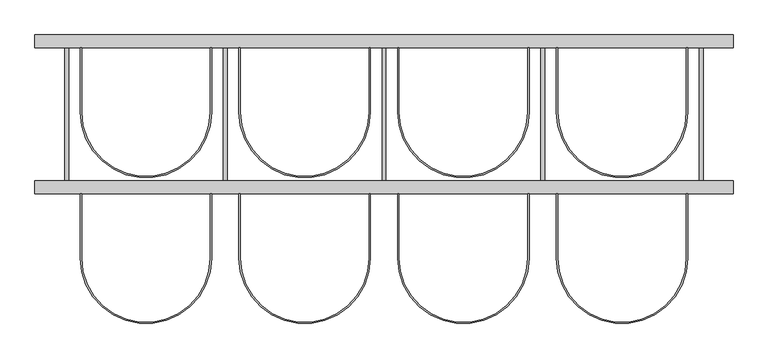
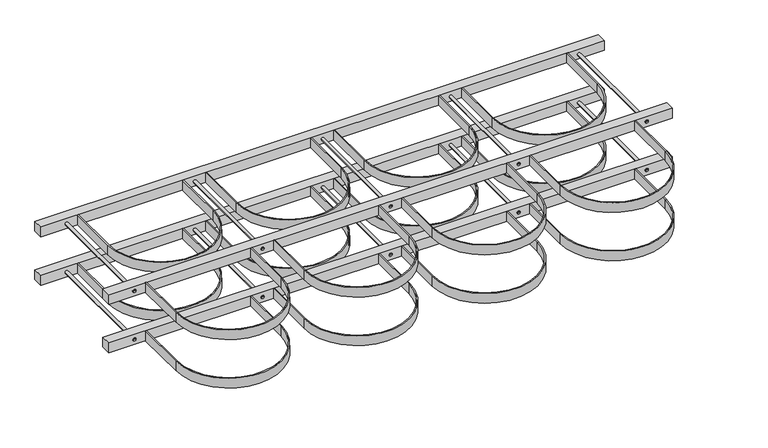
"""IFC4 building model written with IfcOpenShell, lengths in millimetres: proxy geometry."""

from ifc_helpers import new_model, si_unit, point, frame, frame_2d, origin, origin_2d, place, context, project, spatial, polyline, circle_curve, trimmed, segment, composite_curve, outline, extrude, source, transform, mapped, element, save
from ifc_brep_helpers import plane_surface, cylinder_surface, advanced_brep


def specialty_equipment_2287d000(model_context):
    return source(origin(), model_context, "Body", "SolidModel", [
        extrude(outline(composite_curve([segment(polyline([(1297.0, -257.0), (1297.0, -460.0)]), True, "CONTINUOUS"), segment(trimmed(circle_curve(frame_2d((1500.0, -460.0)), 203.0), [point((1297.0, -460.0))], [point((1703.0, -460.0))], True, "CARTESIAN"), True, "CONTINUOUS"), segment(polyline([(1703.0, -460.0), (1703.0, -257.0), (1707.0, -257.0), (1707.0, -460.0)]), True, "CONTINUOUS"), segment(trimmed(circle_curve(frame_2d((1500.0, -460.0)), 207.0), [point((1707.0, -460.0))], [point((1293.0, -460.0))], False, "CARTESIAN"), True, "CONTINUOUS"), segment(polyline([(1293.0, -460.0), (1293.0, -257.0), (1297.0, -257.0)]), True, "CONTINUOUS")], self_intersect=False)), frame((0.0, 0.0, 180.0), z_axis=(0.0, 0.0, 1.0), x_axis=(1.0, 0.0, 0.0)), (0.0, 0.0, 1.0), 40.0),
        advanced_brep(
        [(1756.0, -257.0, 200.0), (1744.0, -257.0, 200.0), (1744.0, 203.0, 200.0), (1756.0, 203.0, 200.0), (1750.0, -257.0, 200.0), (1750.0, 203.0, 200.0)],
        [
            (0, 1, circle_curve(frame((1750.0, -257.0, 200.0), z_axis=(0.0, 1.0, 0.0), x_axis=(-1.0, 0.0, 0.0)), 6.0)),
            (1, 2),
            (2, 3, circle_curve(frame((1750.0, 203.0, 200.0), z_axis=(0.0, -1.0, 0.0), x_axis=(-1.0, 0.0, 0.0)), 6.0)),
            (3, 0),
            (1, 0, circle_curve(frame((1750.0, -257.0, 200.0), z_axis=(0.0, 1.0, 0.0), x_axis=(-1.0, 0.0, 0.0)), 6.0)),
            (3, 2, circle_curve(frame((1750.0, 203.0, 200.0), z_axis=(0.0, -1.0, 0.0), x_axis=(-1.0, 0.0, 0.0)), 6.0)),
            (4, 1),
            (0, 4),
            (2, 5),
            (5, 3),
        ],
        [
            cylinder_surface(frame((1750.0, 1727.0, 200.0), z_axis=(0.0, -1.0, 0.0), x_axis=(-1.0, 0.0, 0.0)), 6.0),
            plane_surface(frame((1750.0, -257.0, 200.0), z_axis=(0.0, -1.0, 0.0), x_axis=(-1.0, 0.0, 0.0))),
            plane_surface(frame((1750.0, 203.0, 200.0), z_axis=(0.0, 1.0, 0.0), x_axis=(-1.0, 0.0, 0.0))),
        ],
        [
            (0, [[1, 2, 3, 4]]),
            (0, [[5, -4, 6, -2]]),
            (1, [[7, -1, 8]]),
            (1, [[-8, -5, -7]]),
            (2, [[-3, 9, 10]]),
            (2, [[-6, -10, -9]]),
        ],
    ),
        extrude(outline(composite_curve([segment(polyline([(1297.0, 203.0), (1297.0, 0.0)]), True, "CONTINUOUS"), segment(trimmed(circle_curve(frame_2d((1500.0, 0.0)), 203.0), [point((1297.0, 0.0))], [point((1703.0, 0.0))], True, "CARTESIAN"), True, "CONTINUOUS"), segment(polyline([(1703.0, 0.0), (1703.0, 203.0), (1707.0, 203.0), (1707.0, 0.0)]), True, "CONTINUOUS"), segment(trimmed(circle_curve(frame_2d((1500.0, 0.0)), 207.0), [point((1707.0, 0.0))], [point((1293.0, 0.0))], False, "CARTESIAN"), True, "CONTINUOUS"), segment(polyline([(1293.0, 0.0), (1293.0, 203.0), (1297.0, 203.0)]), True, "CONTINUOUS")], self_intersect=False)), frame((0.0, 0.0, 180.0), z_axis=(0.0, 0.0, 1.0), x_axis=(1.0, 0.0, 0.0)), (0.0, 0.0, 1.0), 40.0),
        extrude(outline(composite_curve([segment(polyline([(797.0, -257.0), (797.0, -460.0)]), True, "CONTINUOUS"), segment(trimmed(circle_curve(frame_2d((1000.0, -460.0)), 203.0), [point((797.0, -460.0))], [point((1203.0, -460.0))], True, "CARTESIAN"), True, "CONTINUOUS"), segment(polyline([(1203.0, -460.0), (1203.0, -257.0), (1207.0, -257.0), (1207.0, -460.0)]), True, "CONTINUOUS"), segment(trimmed(circle_curve(frame_2d((1000.0, -460.0)), 207.0), [point((1207.0, -460.0))], [point((793.0, -460.0))], False, "CARTESIAN"), True, "CONTINUOUS"), segment(polyline([(793.0, -460.0), (793.0, -257.0), (797.0, -257.0)]), True, "CONTINUOUS")], self_intersect=False)), frame((0.0, 0.0, 180.0), z_axis=(0.0, 0.0, 1.0), x_axis=(1.0, 0.0, 0.0)), (0.0, 0.0, 1.0), 40.0),
        advanced_brep(
        [(1256.0, -257.0, 200.0), (1244.0, -257.0, 200.0), (1244.0, 203.0, 200.0), (1256.0, 203.0, 200.0), (1250.0, -257.0, 200.0), (1250.0, 203.0, 200.0)],
        [
            (0, 1, circle_curve(frame((1250.0, -257.0, 200.0), z_axis=(0.0, 1.0, 0.0), x_axis=(-1.0, 0.0, 0.0)), 6.0)),
            (1, 2),
            (2, 3, circle_curve(frame((1250.0, 203.0, 200.0), z_axis=(0.0, -1.0, 0.0), x_axis=(-1.0, 0.0, 0.0)), 6.0)),
            (3, 0),
            (1, 0, circle_curve(frame((1250.0, -257.0, 200.0), z_axis=(0.0, 1.0, 0.0), x_axis=(-1.0, 0.0, 0.0)), 6.0)),
            (3, 2, circle_curve(frame((1250.0, 203.0, 200.0), z_axis=(0.0, -1.0, 0.0), x_axis=(-1.0, 0.0, 0.0)), 6.0)),
            (4, 1),
            (0, 4),
            (2, 5),
            (5, 3),
        ],
        [
            cylinder_surface(frame((1250.0, 1727.0, 200.0), z_axis=(0.0, -1.0, 0.0), x_axis=(-1.0, 0.0, 0.0)), 6.0),
            plane_surface(frame((1250.0, -257.0, 200.0), z_axis=(0.0, -1.0, 0.0), x_axis=(-1.0, 0.0, 0.0))),
            plane_surface(frame((1250.0, 203.0, 200.0), z_axis=(0.0, 1.0, 0.0), x_axis=(-1.0, 0.0, 0.0))),
        ],
        [
            (0, [[1, 2, 3, 4]]),
            (0, [[5, -4, 6, -2]]),
            (1, [[7, -1, 8]]),
            (1, [[-8, -5, -7]]),
            (2, [[-3, 9, 10]]),
            (2, [[-6, -10, -9]]),
        ],
    ),
        extrude(outline(composite_curve([segment(polyline([(797.0, 203.0), (797.0, 0.0)]), True, "CONTINUOUS"), segment(trimmed(circle_curve(frame_2d((1000.0, 0.0)), 203.0), [point((797.0, 0.0))], [point((1203.0, 0.0))], True, "CARTESIAN"), True, "CONTINUOUS"), segment(polyline([(1203.0, 0.0), (1203.0, 203.0), (1207.0, 203.0), (1207.0, 0.0)]), True, "CONTINUOUS"), segment(trimmed(circle_curve(frame_2d((1000.0, 0.0)), 207.0), [point((1207.0, 0.0))], [point((793.0, 0.0))], False, "CARTESIAN"), True, "CONTINUOUS"), segment(polyline([(793.0, 0.0), (793.0, 203.0), (797.0, 203.0)]), True, "CONTINUOUS")], self_intersect=False)), frame((0.0, 0.0, 180.0), z_axis=(0.0, 0.0, 1.0), x_axis=(1.0, 0.0, 0.0)), (0.0, 0.0, 1.0), 40.0),
        extrude(outline(composite_curve([segment(polyline([(297.0, -257.0), (297.0, -460.0)]), True, "CONTINUOUS"), segment(trimmed(circle_curve(frame_2d((500.0, -460.0)), 203.0), [point((297.0, -460.0))], [point((703.0, -460.0))], True, "CARTESIAN"), True, "CONTINUOUS"), segment(polyline([(703.0, -460.0), (703.0, -257.0), (707.0, -257.0), (707.0, -460.0)]), True, "CONTINUOUS"), segment(trimmed(circle_curve(frame_2d((500.0, -460.0)), 207.0), [point((707.0, -460.0))], [point((293.0, -460.0))], False, "CARTESIAN"), True, "CONTINUOUS"), segment(polyline([(293.0, -460.0), (293.0, -257.0), (297.0, -257.0)]), True, "CONTINUOUS")], self_intersect=False)), frame((0.0, 0.0, 180.0), z_axis=(0.0, 0.0, 1.0), x_axis=(1.0, 0.0, 0.0)), (0.0, 0.0, 1.0), 40.0),
        advanced_brep(
        [(756.0, -257.0, 200.0), (744.0, -257.0, 200.0), (744.0, 203.0, 200.0), (756.0, 203.0, 200.0), (750.0, -257.0, 200.0), (750.0, 203.0, 200.0)],
        [
            (0, 1, circle_curve(frame((750.0, -257.0, 200.0), z_axis=(0.0, 1.0, 0.0), x_axis=(-1.0, 0.0, 0.0)), 6.0)),
            (1, 2),
            (2, 3, circle_curve(frame((750.0, 203.0, 200.0), z_axis=(0.0, -1.0, 0.0), x_axis=(-1.0, 0.0, 0.0)), 6.0)),
            (3, 0),
            (1, 0, circle_curve(frame((750.0, -257.0, 200.0), z_axis=(0.0, 1.0, 0.0), x_axis=(-1.0, 0.0, 0.0)), 6.0)),
            (3, 2, circle_curve(frame((750.0, 203.0, 200.0), z_axis=(0.0, -1.0, 0.0), x_axis=(-1.0, 0.0, 0.0)), 6.0)),
            (4, 1),
            (0, 4),
            (2, 5),
            (5, 3),
        ],
        [
            cylinder_surface(frame((750.0, 1727.0, 200.0), z_axis=(0.0, -1.0, 0.0), x_axis=(-1.0, 0.0, 0.0)), 6.0),
            plane_surface(frame((750.0, -257.0, 200.0), z_axis=(0.0, -1.0, 0.0), x_axis=(-1.0, 0.0, 0.0))),
            plane_surface(frame((750.0, 203.0, 200.0), z_axis=(0.0, 1.0, 0.0), x_axis=(-1.0, 0.0, 0.0))),
        ],
        [
            (0, [[1, 2, 3, 4]]),
            (0, [[5, -4, 6, -2]]),
            (1, [[7, -1, 8]]),
            (1, [[-8, -5, -7]]),
            (2, [[-3, 9, 10]]),
            (2, [[-6, -10, -9]]),
        ],
    ),
        advanced_brep(
        [(256.0, -257.0, 200.0), (244.0, -257.0, 200.0), (244.0, 203.0, 200.0), (256.0, 203.0, 200.0), (250.0, -257.0, 200.0), (250.0, 203.0, 200.0)],
        [
            (0, 1, circle_curve(frame((250.0, -257.0, 200.0), z_axis=(0.0, 1.0, 0.0), x_axis=(-1.0, 0.0, 0.0)), 6.0)),
            (1, 2),
            (2, 3, circle_curve(frame((250.0, 203.0, 200.0), z_axis=(0.0, -1.0, 0.0), x_axis=(-1.0, 0.0, 0.0)), 6.0)),
            (3, 0),
            (1, 0, circle_curve(frame((250.0, -257.0, 200.0), z_axis=(0.0, 1.0, 0.0), x_axis=(-1.0, 0.0, 0.0)), 6.0)),
            (3, 2, circle_curve(frame((250.0, 203.0, 200.0), z_axis=(0.0, -1.0, 0.0), x_axis=(-1.0, 0.0, 0.0)), 6.0)),
            (4, 1),
            (0, 4),
            (2, 5),
            (5, 3),
        ],
        [
            cylinder_surface(frame((250.0, 1727.0, 200.0), z_axis=(0.0, -1.0, 0.0), x_axis=(-1.0, 0.0, 0.0)), 6.0),
            plane_surface(frame((250.0, -257.0, 200.0), z_axis=(0.0, -1.0, 0.0), x_axis=(-1.0, 0.0, 0.0))),
            plane_surface(frame((250.0, 203.0, 200.0), z_axis=(0.0, 1.0, 0.0), x_axis=(-1.0, 0.0, 0.0))),
        ],
        [
            (0, [[1, 2, 3, 4]]),
            (0, [[5, -4, 6, -2]]),
            (1, [[7, -1, 8]]),
            (1, [[-8, -5, -7]]),
            (2, [[-3, 9, 10]]),
            (2, [[-6, -10, -9]]),
        ],
    ),
        extrude(outline(composite_curve([segment(polyline([(-203.0, -257.0), (-203.0, -460.0)]), True, "CONTINUOUS"), segment(trimmed(circle_curve(frame_2d((0.0, -460.0)), 203.0), [point((-203.0, -460.0))], [point((203.0, -460.0))], True, "CARTESIAN"), True, "CONTINUOUS"), segment(polyline([(203.0, -460.0), (203.0, -257.0), (207.0, -257.0), (207.0, -460.0)]), True, "CONTINUOUS"), segment(trimmed(circle_curve(frame_2d((0.0, -460.0)), 207.0), [point((207.0, -460.0))], [point((-207.0, -460.0))], False, "CARTESIAN"), True, "CONTINUOUS"), segment(polyline([(-207.0, -460.0), (-207.0, -257.0), (-203.0, -257.0)]), True, "CONTINUOUS")], self_intersect=False)), frame((0.0, 0.0, 180.0), z_axis=(0.0, 0.0, 1.0), x_axis=(1.0, 0.0, 0.0)), (0.0, 0.0, 1.0), 40.0),
        advanced_brep(
        [(-244.0, -257.0, 200.0), (-256.0, -257.0, 200.0), (-256.0, 203.0, 200.0), (-244.0, 203.0, 200.0), (-250.0, -257.0, 200.0), (-250.0, 203.0, 200.0)],
        [
            (0, 1, circle_curve(frame((-250.0, -257.0, 200.0), z_axis=(0.0, 1.0, 0.0), x_axis=(-1.0, 0.0, 0.0)), 6.0)),
            (1, 2),
            (2, 3, circle_curve(frame((-250.0, 203.0, 200.0), z_axis=(0.0, -1.0, 0.0), x_axis=(-1.0, 0.0, 0.0)), 6.0)),
            (3, 0),
            (1, 0, circle_curve(frame((-250.0, -257.0, 200.0), z_axis=(0.0, 1.0, 0.0), x_axis=(-1.0, 0.0, 0.0)), 6.0)),
            (3, 2, circle_curve(frame((-250.0, 203.0, 200.0), z_axis=(0.0, -1.0, 0.0), x_axis=(-1.0, 0.0, 0.0)), 6.0)),
            (4, 1),
            (0, 4),
            (2, 5),
            (5, 3),
        ],
        [
            cylinder_surface(frame((-250.0, 1727.0, 200.0), z_axis=(0.0, -1.0, 0.0), x_axis=(-1.0, 0.0, 0.0)), 6.0),
            plane_surface(frame((-250.0, -257.0, 200.0), z_axis=(0.0, -1.0, 0.0), x_axis=(-1.0, 0.0, 0.0))),
            plane_surface(frame((-250.0, 203.0, 200.0), z_axis=(0.0, 1.0, 0.0), x_axis=(-1.0, 0.0, 0.0))),
        ],
        [
            (0, [[1, 2, 3, 4]]),
            (0, [[5, -4, 6, -2]]),
            (1, [[7, -1, 8]]),
            (1, [[-8, -5, -7]]),
            (2, [[-3, 9, 10]]),
            (2, [[-6, -10, -9]]),
        ],
    ),
        extrude(outline(composite_curve([segment(polyline([(297.0, 203.0), (297.0, 0.0)]), True, "CONTINUOUS"), segment(trimmed(circle_curve(frame_2d((500.0, 0.0)), 203.0), [point((297.0, 0.0))], [point((703.0, 0.0))], True, "CARTESIAN"), True, "CONTINUOUS"), segment(polyline([(703.0, 0.0), (703.0, 203.0), (707.0, 203.0), (707.0, 0.0)]), True, "CONTINUOUS"), segment(trimmed(circle_curve(frame_2d((500.0, 0.0)), 207.0), [point((707.0, 0.0))], [point((293.0, 0.0))], False, "CARTESIAN"), True, "CONTINUOUS"), segment(polyline([(293.0, 0.0), (293.0, 203.0), (297.0, 203.0)]), True, "CONTINUOUS")], self_intersect=False)), frame((0.0, 0.0, 180.0), z_axis=(0.0, 0.0, 1.0), x_axis=(1.0, 0.0, 0.0)), (0.0, 0.0, 1.0), 40.0),
        extrude(outline(composite_curve([segment(polyline([(-203.0, 203.0), (-203.0, 0.0)]), True, "CONTINUOUS"), segment(trimmed(circle_curve(origin_2d(), 203.0), [point((-203.0, 0.0))], [point((203.0, 0.0))], True, "CARTESIAN"), True, "CONTINUOUS"), segment(polyline([(203.0, 0.0), (203.0, 203.0), (207.0, 203.0), (207.0, 0.0)]), True, "CONTINUOUS"), segment(trimmed(circle_curve(origin_2d(), 207.0), [point((207.0, 0.0))], [point((-207.0, 0.0))], False, "CARTESIAN"), True, "CONTINUOUS"), segment(polyline([(-207.0, 0.0), (-207.0, 203.0), (-203.0, 203.0)]), True, "CONTINUOUS")], self_intersect=False)), frame((0.0, 0.0, 180.0), z_axis=(0.0, 0.0, 1.0), x_axis=(1.0, 0.0, 0.0)), (0.0, 0.0, 1.0), 40.0),
        extrude(outline(polyline([(1850.0, -257.0), (-350.0, -257.0), (-350.0, -217.0), (1850.0, -217.0), (1850.0, -257.0)])), frame((0.0, 0.0, 180.0), z_axis=(0.0, 0.0, 1.0), x_axis=(1.0, 0.0, 0.0)), (0.0, 0.0, 1.0), 40.0),
        extrude(outline(polyline([(1850.0, 203.0), (-350.0, 203.0), (-350.0, 243.0), (1850.0, 243.0), (1850.0, 203.0)])), frame((0.0, 0.0, 180.0), z_axis=(0.0, 0.0, 1.0), x_axis=(1.0, 0.0, 0.0)), (0.0, 0.0, 1.0), 40.0),
        extrude(outline(composite_curve([segment(polyline([(1297.0, -257.0), (1297.0, -460.0)]), True, "CONTINUOUS"), segment(trimmed(circle_curve(frame_2d((1500.0, -460.0)), 203.0), [point((1297.0, -460.0))], [point((1703.0, -460.0))], True, "CARTESIAN"), True, "CONTINUOUS"), segment(polyline([(1703.0, -460.0), (1703.0, -257.0), (1707.0, -257.0), (1707.0, -460.0)]), True, "CONTINUOUS"), segment(trimmed(circle_curve(frame_2d((1500.0, -460.0)), 207.0), [point((1707.0, -460.0))], [point((1293.0, -460.0))], False, "CARTESIAN"), True, "CONTINUOUS"), segment(polyline([(1293.0, -460.0), (1293.0, -257.0), (1297.0, -257.0)]), True, "CONTINUOUS")], self_intersect=False)), frame((0.0, 0.0, -20.0), z_axis=(0.0, 0.0, 1.0), x_axis=(1.0, 0.0, 0.0)), (0.0, 0.0, 1.0), 40.0),
        advanced_brep(
        [(1756.0, -257.0, 0.0), (1744.0, -257.0, 0.0), (1744.0, 203.0, 0.0), (1756.0, 203.0, 0.0), (1750.0, -257.0, 0.0), (1750.0, 203.0, 0.0)],
        [
            (0, 1, circle_curve(frame((1750.0, -257.0, 0.0), z_axis=(0.0, 1.0, 0.0), x_axis=(-1.0, 0.0, 0.0)), 6.0)),
            (1, 2),
            (2, 3, circle_curve(frame((1750.0, 203.0, 0.0), z_axis=(0.0, -1.0, 0.0), x_axis=(-1.0, 0.0, 0.0)), 6.0)),
            (3, 0),
            (1, 0, circle_curve(frame((1750.0, -257.0, 0.0), z_axis=(0.0, 1.0, 0.0), x_axis=(-1.0, 0.0, 0.0)), 6.0)),
            (3, 2, circle_curve(frame((1750.0, 203.0, 0.0), z_axis=(0.0, -1.0, 0.0), x_axis=(-1.0, 0.0, 0.0)), 6.0)),
            (4, 1),
            (0, 4),
            (2, 5),
            (5, 3),
        ],
        [
            cylinder_surface(frame((1750.0, 1727.0, 0.0), z_axis=(0.0, -1.0, 0.0), x_axis=(-1.0, 0.0, 0.0)), 6.0),
            plane_surface(frame((1750.0, -257.0, 0.0), z_axis=(0.0, -1.0, 0.0), x_axis=(-1.0, 0.0, 0.0))),
            plane_surface(frame((1750.0, 203.0, 0.0), z_axis=(0.0, 1.0, 0.0), x_axis=(-1.0, 0.0, 0.0))),
        ],
        [
            (0, [[1, 2, 3, 4]]),
            (0, [[5, -4, 6, -2]]),
            (1, [[7, -1, 8]]),
            (1, [[-8, -5, -7]]),
            (2, [[-3, 9, 10]]),
            (2, [[-6, -10, -9]]),
        ],
    ),
        extrude(outline(composite_curve([segment(polyline([(1297.0, 203.0), (1297.0, 0.0)]), True, "CONTINUOUS"), segment(trimmed(circle_curve(frame_2d((1500.0, 0.0)), 203.0), [point((1297.0, 0.0))], [point((1703.0, 0.0))], True, "CARTESIAN"), True, "CONTINUOUS"), segment(polyline([(1703.0, 0.0), (1703.0, 203.0), (1707.0, 203.0), (1707.0, 0.0)]), True, "CONTINUOUS"), segment(trimmed(circle_curve(frame_2d((1500.0, 0.0)), 207.0), [point((1707.0, 0.0))], [point((1293.0, 0.0))], False, "CARTESIAN"), True, "CONTINUOUS"), segment(polyline([(1293.0, 0.0), (1293.0, 203.0), (1297.0, 203.0)]), True, "CONTINUOUS")], self_intersect=False)), frame((0.0, 0.0, -20.0), z_axis=(0.0, 0.0, 1.0), x_axis=(1.0, 0.0, 0.0)), (0.0, 0.0, 1.0), 40.0),
        extrude(outline(composite_curve([segment(polyline([(797.0, -257.0), (797.0, -460.0)]), True, "CONTINUOUS"), segment(trimmed(circle_curve(frame_2d((1000.0, -460.0)), 203.0), [point((797.0, -460.0))], [point((1203.0, -460.0))], True, "CARTESIAN"), True, "CONTINUOUS"), segment(polyline([(1203.0, -460.0), (1203.0, -257.0), (1207.0, -257.0), (1207.0, -460.0)]), True, "CONTINUOUS"), segment(trimmed(circle_curve(frame_2d((1000.0, -460.0)), 207.0), [point((1207.0, -460.0))], [point((793.0, -460.0))], False, "CARTESIAN"), True, "CONTINUOUS"), segment(polyline([(793.0, -460.0), (793.0, -257.0), (797.0, -257.0)]), True, "CONTINUOUS")], self_intersect=False)), frame((0.0, 0.0, -20.0), z_axis=(0.0, 0.0, 1.0), x_axis=(1.0, 0.0, 0.0)), (0.0, 0.0, 1.0), 40.0),
        advanced_brep(
        [(1256.0, -257.0, 0.0), (1244.0, -257.0, 0.0), (1244.0, 203.0, 0.0), (1256.0, 203.0, 0.0), (1250.0, -257.0, 0.0), (1250.0, 203.0, 0.0)],
        [
            (0, 1, circle_curve(frame((1250.0, -257.0, 0.0), z_axis=(0.0, 1.0, 0.0), x_axis=(-1.0, 0.0, 0.0)), 6.0)),
            (1, 2),
            (2, 3, circle_curve(frame((1250.0, 203.0, 0.0), z_axis=(0.0, -1.0, 0.0), x_axis=(-1.0, 0.0, 0.0)), 6.0)),
            (3, 0),
            (1, 0, circle_curve(frame((1250.0, -257.0, 0.0), z_axis=(0.0, 1.0, 0.0), x_axis=(-1.0, 0.0, 0.0)), 6.0)),
            (3, 2, circle_curve(frame((1250.0, 203.0, 0.0), z_axis=(0.0, -1.0, 0.0), x_axis=(-1.0, 0.0, 0.0)), 6.0)),
            (4, 1),
            (0, 4),
            (2, 5),
            (5, 3),
        ],
        [
            cylinder_surface(frame((1250.0, 1727.0, 0.0), z_axis=(0.0, -1.0, 0.0), x_axis=(-1.0, 0.0, 0.0)), 6.0),
            plane_surface(frame((1250.0, -257.0, 0.0), z_axis=(0.0, -1.0, 0.0), x_axis=(-1.0, 0.0, 0.0))),
            plane_surface(frame((1250.0, 203.0, 0.0), z_axis=(0.0, 1.0, 0.0), x_axis=(-1.0, 0.0, 0.0))),
        ],
        [
            (0, [[1, 2, 3, 4]]),
            (0, [[5, -4, 6, -2]]),
            (1, [[7, -1, 8]]),
            (1, [[-8, -5, -7]]),
            (2, [[-3, 9, 10]]),
            (2, [[-6, -10, -9]]),
        ],
    ),
        extrude(outline(composite_curve([segment(polyline([(797.0, 203.0), (797.0, 0.0)]), True, "CONTINUOUS"), segment(trimmed(circle_curve(frame_2d((1000.0, 0.0)), 203.0), [point((797.0, 0.0))], [point((1203.0, 0.0))], True, "CARTESIAN"), True, "CONTINUOUS"), segment(polyline([(1203.0, 0.0), (1203.0, 203.0), (1207.0, 203.0), (1207.0, 0.0)]), True, "CONTINUOUS"), segment(trimmed(circle_curve(frame_2d((1000.0, 0.0)), 207.0), [point((1207.0, 0.0))], [point((793.0, 0.0))], False, "CARTESIAN"), True, "CONTINUOUS"), segment(polyline([(793.0, 0.0), (793.0, 203.0), (797.0, 203.0)]), True, "CONTINUOUS")], self_intersect=False)), frame((0.0, 0.0, -20.0), z_axis=(0.0, 0.0, 1.0), x_axis=(1.0, 0.0, 0.0)), (0.0, 0.0, 1.0), 40.0),
        extrude(outline(composite_curve([segment(polyline([(297.0, -257.0), (297.0, -460.0)]), True, "CONTINUOUS"), segment(trimmed(circle_curve(frame_2d((500.0, -460.0)), 203.0), [point((297.0, -460.0))], [point((703.0, -460.0))], True, "CARTESIAN"), True, "CONTINUOUS"), segment(polyline([(703.0, -460.0), (703.0, -257.0), (707.0, -257.0), (707.0, -460.0)]), True, "CONTINUOUS"), segment(trimmed(circle_curve(frame_2d((500.0, -460.0)), 207.0), [point((707.0, -460.0))], [point((293.0, -460.0))], False, "CARTESIAN"), True, "CONTINUOUS"), segment(polyline([(293.0, -460.0), (293.0, -257.0), (297.0, -257.0)]), True, "CONTINUOUS")], self_intersect=False)), frame((0.0, 0.0, -20.0), z_axis=(0.0, 0.0, 1.0), x_axis=(1.0, 0.0, 0.0)), (0.0, 0.0, 1.0), 40.0),
        advanced_brep(
        [(756.0, -257.0, 0.0), (744.0, -257.0, 0.0), (744.0, 203.0, 0.0), (756.0, 203.0, 0.0), (750.0, -257.0, 0.0), (750.0, 203.0, 0.0)],
        [
            (0, 1, circle_curve(frame((750.0, -257.0, 0.0), z_axis=(0.0, 1.0, 0.0), x_axis=(-1.0, 0.0, 0.0)), 6.0)),
            (1, 2),
            (2, 3, circle_curve(frame((750.0, 203.0, 0.0), z_axis=(0.0, -1.0, 0.0), x_axis=(-1.0, 0.0, 0.0)), 6.0)),
            (3, 0),
            (1, 0, circle_curve(frame((750.0, -257.0, 0.0), z_axis=(0.0, 1.0, 0.0), x_axis=(-1.0, 0.0, 0.0)), 6.0)),
            (3, 2, circle_curve(frame((750.0, 203.0, 0.0), z_axis=(0.0, -1.0, 0.0), x_axis=(-1.0, 0.0, 0.0)), 6.0)),
            (4, 1),
            (0, 4),
            (2, 5),
            (5, 3),
        ],
        [
            cylinder_surface(frame((750.0, 1727.0, 0.0), z_axis=(0.0, -1.0, 0.0), x_axis=(-1.0, 0.0, 0.0)), 6.0),
            plane_surface(frame((750.0, -257.0, 0.0), z_axis=(0.0, -1.0, 0.0), x_axis=(-1.0, 0.0, 0.0))),
            plane_surface(frame((750.0, 203.0, 0.0), z_axis=(0.0, 1.0, 0.0), x_axis=(-1.0, 0.0, 0.0))),
        ],
        [
            (0, [[1, 2, 3, 4]]),
            (0, [[5, -4, 6, -2]]),
            (1, [[7, -1, 8]]),
            (1, [[-8, -5, -7]]),
            (2, [[-3, 9, 10]]),
            (2, [[-6, -10, -9]]),
        ],
    ),
        advanced_brep(
        [(256.0, -257.0, 0.0), (244.0, -257.0, 0.0), (244.0, 203.0, 0.0), (256.0, 203.0, 0.0), (250.0, -257.0, 0.0), (250.0, 203.0, 0.0)],
        [
            (0, 1, circle_curve(frame((250.0, -257.0, 0.0), z_axis=(0.0, 1.0, 0.0), x_axis=(-1.0, 0.0, 0.0)), 6.0)),
            (1, 2),
            (2, 3, circle_curve(frame((250.0, 203.0, 0.0), z_axis=(0.0, -1.0, 0.0), x_axis=(-1.0, 0.0, 0.0)), 6.0)),
            (3, 0),
            (1, 0, circle_curve(frame((250.0, -257.0, 0.0), z_axis=(0.0, 1.0, 0.0), x_axis=(-1.0, 0.0, 0.0)), 6.0)),
            (3, 2, circle_curve(frame((250.0, 203.0, 0.0), z_axis=(0.0, -1.0, 0.0), x_axis=(-1.0, 0.0, 0.0)), 6.0)),
            (4, 1),
            (0, 4),
            (2, 5),
            (5, 3),
        ],
        [
            cylinder_surface(frame((250.0, 1727.0, 0.0), z_axis=(0.0, -1.0, 0.0), x_axis=(-1.0, 0.0, 0.0)), 6.0),
            plane_surface(frame((250.0, -257.0, 0.0), z_axis=(0.0, -1.0, 0.0), x_axis=(-1.0, 0.0, 0.0))),
            plane_surface(frame((250.0, 203.0, 0.0), z_axis=(0.0, 1.0, 0.0), x_axis=(-1.0, 0.0, 0.0))),
        ],
        [
            (0, [[1, 2, 3, 4]]),
            (0, [[5, -4, 6, -2]]),
            (1, [[7, -1, 8]]),
            (1, [[-8, -5, -7]]),
            (2, [[-3, 9, 10]]),
            (2, [[-6, -10, -9]]),
        ],
    ),
        extrude(outline(composite_curve([segment(polyline([(-203.0, -257.0), (-203.0, -460.0)]), True, "CONTINUOUS"), segment(trimmed(circle_curve(frame_2d((0.0, -460.0)), 203.0), [point((-203.0, -460.0))], [point((203.0, -460.0))], True, "CARTESIAN"), True, "CONTINUOUS"), segment(polyline([(203.0, -460.0), (203.0, -257.0), (207.0, -257.0), (207.0, -460.0)]), True, "CONTINUOUS"), segment(trimmed(circle_curve(frame_2d((0.0, -460.0)), 207.0), [point((207.0, -460.0))], [point((-207.0, -460.0))], False, "CARTESIAN"), True, "CONTINUOUS"), segment(polyline([(-207.0, -460.0), (-207.0, -257.0), (-203.0, -257.0)]), True, "CONTINUOUS")], self_intersect=False)), frame((0.0, 0.0, -20.0), z_axis=(0.0, 0.0, 1.0), x_axis=(1.0, 0.0, 0.0)), (0.0, 0.0, 1.0), 40.0),
        advanced_brep(
        [(-244.0, -257.0, 0.0), (-256.0, -257.0, 0.0), (-256.0, 203.0, 0.0), (-244.0, 203.0, 0.0), (-250.0, -257.0, 0.0), (-250.0, 203.0, 0.0)],
        [
            (0, 1, circle_curve(frame((-250.0, -257.0, 0.0), z_axis=(0.0, 1.0, 0.0), x_axis=(-1.0, 0.0, 0.0)), 6.0)),
            (1, 2),
            (2, 3, circle_curve(frame((-250.0, 203.0, 0.0), z_axis=(0.0, -1.0, 0.0), x_axis=(-1.0, 0.0, 0.0)), 6.0)),
            (3, 0),
            (1, 0, circle_curve(frame((-250.0, -257.0, 0.0), z_axis=(0.0, 1.0, 0.0), x_axis=(-1.0, 0.0, 0.0)), 6.0)),
            (3, 2, circle_curve(frame((-250.0, 203.0, 0.0), z_axis=(0.0, -1.0, 0.0), x_axis=(-1.0, 0.0, 0.0)), 6.0)),
            (4, 1),
            (0, 4),
            (2, 5),
            (5, 3),
        ],
        [
            cylinder_surface(frame((-250.0, 1727.0, 0.0), z_axis=(0.0, -1.0, 0.0), x_axis=(-1.0, 0.0, 0.0)), 6.0),
            plane_surface(frame((-250.0, -257.0, 0.0), z_axis=(0.0, -1.0, 0.0), x_axis=(-1.0, 0.0, 0.0))),
            plane_surface(frame((-250.0, 203.0, 0.0), z_axis=(0.0, 1.0, 0.0), x_axis=(-1.0, 0.0, 0.0))),
        ],
        [
            (0, [[1, 2, 3, 4]]),
            (0, [[5, -4, 6, -2]]),
            (1, [[7, -1, 8]]),
            (1, [[-8, -5, -7]]),
            (2, [[-3, 9, 10]]),
            (2, [[-6, -10, -9]]),
        ],
    ),
        extrude(outline(composite_curve([segment(polyline([(297.0, 203.0), (297.0, 0.0)]), True, "CONTINUOUS"), segment(trimmed(circle_curve(frame_2d((500.0, 0.0)), 203.0), [point((297.0, 0.0))], [point((703.0, 0.0))], True, "CARTESIAN"), True, "CONTINUOUS"), segment(polyline([(703.0, 0.0), (703.0, 203.0), (707.0, 203.0), (707.0, 0.0)]), True, "CONTINUOUS"), segment(trimmed(circle_curve(frame_2d((500.0, 0.0)), 207.0), [point((707.0, 0.0))], [point((293.0, 0.0))], False, "CARTESIAN"), True, "CONTINUOUS"), segment(polyline([(293.0, 0.0), (293.0, 203.0), (297.0, 203.0)]), True, "CONTINUOUS")], self_intersect=False)), frame((0.0, 0.0, -20.0), z_axis=(0.0, 0.0, 1.0), x_axis=(1.0, 0.0, 0.0)), (0.0, 0.0, 1.0), 40.0),
        extrude(outline(composite_curve([segment(polyline([(-203.0, 203.0), (-203.0, 0.0)]), True, "CONTINUOUS"), segment(trimmed(circle_curve(origin_2d(), 203.0), [point((-203.0, 0.0))], [point((203.0, 0.0))], True, "CARTESIAN"), True, "CONTINUOUS"), segment(polyline([(203.0, 0.0), (203.0, 203.0), (207.0, 203.0), (207.0, 0.0)]), True, "CONTINUOUS"), segment(trimmed(circle_curve(origin_2d(), 207.0), [point((207.0, 0.0))], [point((-207.0, 0.0))], False, "CARTESIAN"), True, "CONTINUOUS"), segment(polyline([(-207.0, 0.0), (-207.0, 203.0), (-203.0, 203.0)]), True, "CONTINUOUS")], self_intersect=False)), frame((0.0, 0.0, -20.0), z_axis=(0.0, 0.0, 1.0), x_axis=(1.0, 0.0, 0.0)), (0.0, 0.0, 1.0), 40.0),
        extrude(outline(polyline([(1850.0, -257.0), (-350.0, -257.0), (-350.0, -217.0), (1850.0, -217.0), (1850.0, -257.0)])), frame((0.0, 0.0, -20.0), z_axis=(0.0, 0.0, 1.0), x_axis=(1.0, 0.0, 0.0)), (0.0, 0.0, 1.0), 40.0),
        extrude(outline(polyline([(1850.0, 203.0), (-350.0, 203.0), (-350.0, 243.0), (1850.0, 243.0), (1850.0, 203.0)])), frame((0.0, 0.0, -20.0), z_axis=(0.0, 0.0, 1.0), x_axis=(1.0, 0.0, 0.0)), (0.0, 0.0, 1.0), 40.0),
    ])


if __name__ == "__main__":
    model = new_model("IFC4")
    model_context = context("Model", 3, world=origin())
    ifc_project = project(units=[si_unit("LENGTHUNIT", "METRE", prefix="MILLI")], contexts=[model_context])
    site = spatial("IfcSite", under=ifc_project)
    building = spatial("IfcBuilding", under=site)
    placement = place(None, origin())
    specialty_equipment_shape = specialty_equipment_2287d000(model_context)
    element("IfcBuildingElementProxy", 1, Name="Specialty Equipment", at=placement, inside=building, context=model_context, shape_type="MappedRepresentation", body=[
        mapped(specialty_equipment_shape, transform((0.0, 0.0, 0.0), x_axis=(1.0, 0.0, 0.0), y_axis=(0.0, 1.0, 0.0), z_axis=(0.0, 0.0, 1.0))),
    ])
    save(model, "model.ifc")
